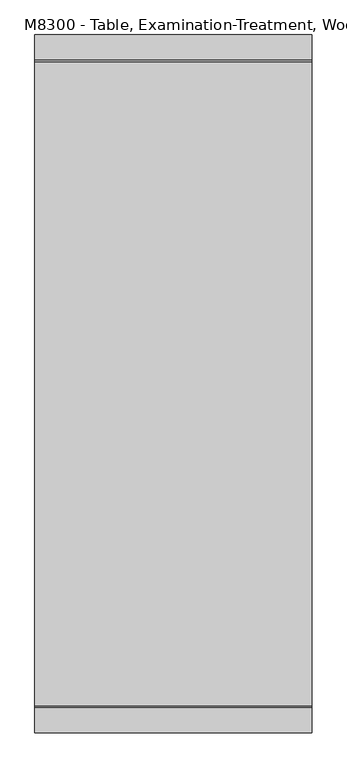
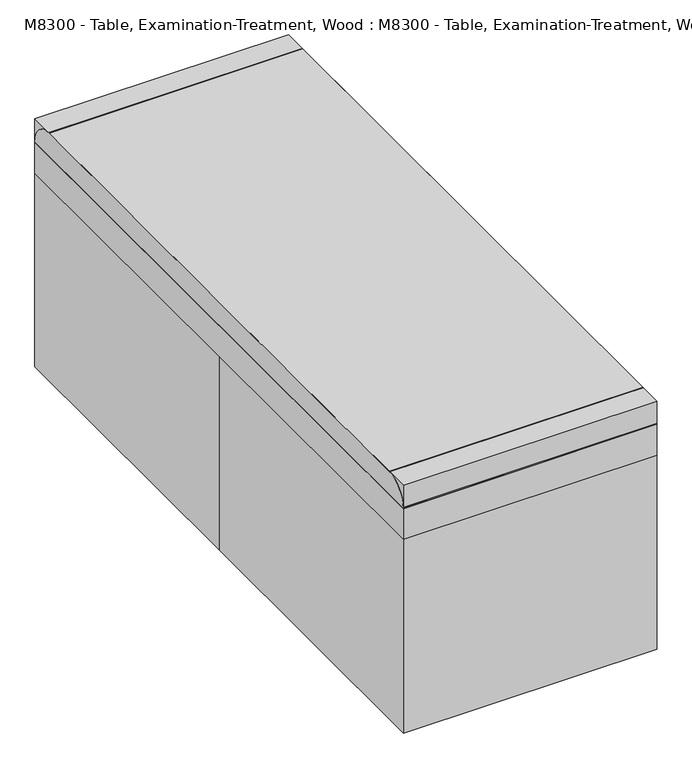
"""IFC4 building model written with IfcOpenShell, lengths in millimetres: proxy geometry, M8300 - Table, Examination-Treatment, Wood : M8300 - Table, Examination-Treatment, Wood."""

from ifc_helpers import new_model, si_unit, point, frame, frame_2d, origin, origin_with_axes, place, context, project, spatial, polyline, circle_curve, trimmed, segment, composite_curve, outline, extrude, source, transform, mapped, element, save


def m8300_table_examination_treatment_wood_m8300_table_62a76f76(model_context):
    return source(origin(), model_context, "Body", "SweptSolid", [
        extrude(outline(polyline([(393.7, 990.6), (393.7, -990.6), (-393.7, -990.6), (-393.7, 990.6), (393.7, 990.6)]), holes=[polyline([(342.9, 939.8), (-342.9, 939.8), (-342.9, -939.8), (342.9, -939.8), (342.9, 939.8)])]), frame((0.0, 0.0, 635.0), z_axis=(0.0, 0.0, 1.0), x_axis=(1.0, 0.0, 0.0)), (0.0, 0.0, 1.0), 101.6),
        extrude(outline(composite_curve([segment(trimmed(circle_curve(frame_2d((-914.4, 736.6)), 76.2), [point((-990.6, 736.6))], [point((-914.4, 812.8))], False, "CARTESIAN"), True, "CONTINUOUS"), segment(polyline([(-914.4, 812.8), (914.4, 812.8)]), True, "CONTINUOUS"), segment(trimmed(circle_curve(frame_2d((914.4, 736.6)), 76.2), [point((914.4, 812.8))], [point((990.6, 736.6))], False, "CARTESIAN"), True, "CONTINUOUS"), segment(polyline([(990.6, 736.6), (-990.6, 736.6)]), True, "CONTINUOUS")], self_intersect=False)), frame((-393.7, 0.0, 0.0), z_axis=(1.0, 0.0, 0.0), x_axis=(0.0, 1.0, 0.0)), (0.0, 0.0, 1.0), 787.4),
        extrude(outline(polyline([(25.4, 863.6), (25.4, -863.6), (-25.4, -863.6), (-25.4, 863.6), (25.4, 863.6)])), frame((0.0, 0.0, 101.6), z_axis=(0.0, 0.0, 1.0), x_axis=(1.0, 0.0, 0.0)), (0.0, 0.0, 1.0), 101.6),
        extrude(outline(polyline([(241.3, 914.4), (241.3, 863.6), (-241.3, 863.6), (-241.3, 914.4), (241.3, 914.4)])), frame((0.0, 0.0, 101.6), z_axis=(0.0, 0.0, 1.0), x_axis=(1.0, 0.0, 0.0)), (0.0, 0.0, 1.0), 101.6),
        extrude(outline(polyline([(241.3, -914.4), (-241.3, -914.4), (-241.3, -863.6), (241.3, -863.6), (241.3, -914.4)])), frame((0.0, 0.0, 101.6), z_axis=(0.0, 0.0, 1.0), x_axis=(1.0, 0.0, 0.0)), (0.0, 0.0, 1.0), 101.6),
        extrude(outline(polyline([(-241.3, 939.8), (-241.3, 838.2), (-342.9, 838.2), (-342.9, 939.8), (-241.3, 939.8)])), origin_with_axes(), (0.0, 0.0, 1.0), 736.6),
        extrude(outline(polyline([(241.3, 939.8), (342.9, 939.8), (342.9, 838.2), (241.3, 838.2), (241.3, 939.8)])), origin_with_axes(), (0.0, 0.0, 1.0), 736.6),
        extrude(outline(polyline([(-241.3, -939.8), (-342.9, -939.8), (-342.9, -838.2), (-241.3, -838.2), (-241.3, -939.8)])), origin_with_axes(), (0.0, 0.0, 1.0), 736.6),
        extrude(outline(polyline([(241.3, -939.8), (241.3, -838.2), (342.9, -838.2), (342.9, -939.8), (241.3, -939.8)])), origin_with_axes(), (0.0, 0.0, 1.0), 736.6),
        extrude(outline(polyline([(-393.7, 990.6), (393.7, 990.6), (393.7, -990.6), (-393.7, -990.6), (-393.7, 0.0), (-393.7, 990.6)])), origin_with_axes(), (0.0, 0.0, 1.0), 812.8),
    ])


if __name__ == "__main__":
    model = new_model("IFC4")
    model_context = context("Model", 3, world=origin())
    ifc_project = project(units=[si_unit("LENGTHUNIT", "METRE", prefix="MILLI")], contexts=[model_context])
    site = spatial("IfcSite", under=ifc_project)
    building = spatial("IfcBuilding", under=site)
    placement = place(None, origin())
    m8300_table_examination_treatment_wood_m8300_table_shape = m8300_table_examination_treatment_wood_m8300_table_62a76f76(model_context)
    element("IfcBuildingElementProxy", 1, Name="M8300 - Table, Examination-Treatment, Wood : M8300 - Table, Examination-Treatment, Wood", ObjectType="M8300 - Table, Examination-Treatment, Wood : M8300 - Table, Examination-Treatment, Wood", at=placement, inside=building, context=model_context, shape_type="MappedRepresentation", body=[
        mapped(m8300_table_examination_treatment_wood_m8300_table_shape, transform((0.0, 0.0, 0.0), x_axis=(1.0, 0.0, 0.0), y_axis=(0.0, 1.0, 0.0), z_axis=(0.0, 0.0, 1.0))),
    ])
    save(model, "model.ifc")
